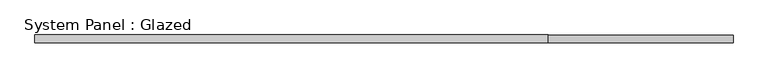
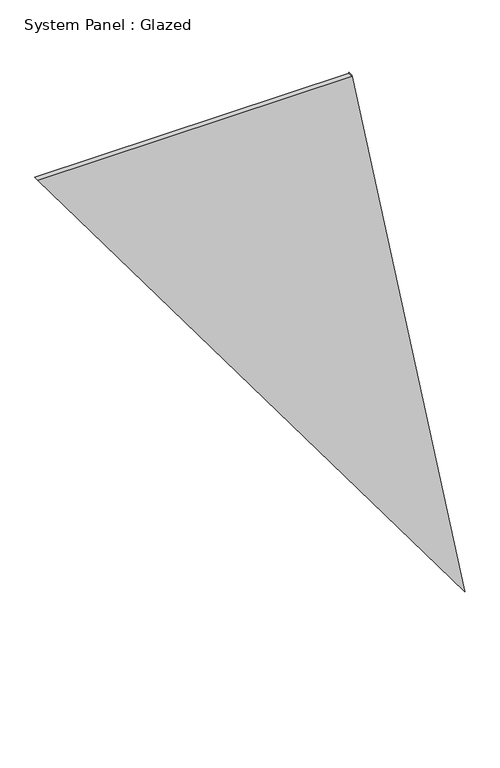
"""IFC4 building model written with IfcOpenShell, lengths in millimetres: plate geometry, System Panel : Glazed."""

import ifcopenshell
import ifcopenshell.guid

model = None  # the IFC model being written
_history = None  # IfcOwnerHistory: only IFC2X3 demands one
_inside = {}  # id of a spatial element -> (the spatial element, [elements in it])
_under = {}  # id of a project, library or spatial element -> (it, [spatial elements below it])
_declared = {}  # id of a project -> (the project, [libraries it declares])
_typed = {}  # id of a type object -> (the type object, [elements of that type])
_made_of = {}  # id of a material, layer set ... -> (it, [elements and type objects made of it])


def new_model(schema):
    """Start an empty IFC model of exactly this schema.

    Asked for "IFC4X3", IfcOpenShell would pick the latest addendum, in which some entities
    have other attributes; the version numbers below select the first issue.
    IFC2X3 requires an IfcOwnerHistory on every rooted entity: one is made here for all.
    """
    global model, _history
    if schema == "IFC4X3":
        model = ifcopenshell.file(schema_version=(4, 3, 0, 0))
    else:
        model = ifcopenshell.file(schema=schema)
    _inside.clear()
    _under.clear()
    _declared.clear()
    _typed.clear()
    _made_of.clear()
    _history = None
    if model.schema == "IFC2X3":
        org = make("IfcOrganization", Name="unknown")
        user = make(
            "IfcPersonAndOrganization",
            ThePerson=make("IfcPerson", FamilyName="unknown"),
            TheOrganization=org,
        )
        app = make(
            "IfcApplication",
            ApplicationDeveloper=org,
            Version="unknown",
            ApplicationFullName="unknown",
            ApplicationIdentifier="unknown",
        )
        _history = make(
            "IfcOwnerHistory",
            OwningUser=user,
            OwningApplication=app,
            ChangeAction="ADDED",
            CreationDate=0,
        )
    return model


def make(cls, **values):
    """One entity of the class cls with the attributes given. An attribute that is None is left unset."""
    return model.create_entity(
        cls, **{name: value for name, value in values.items() if value is not None}
    )


def rooted(cls, **values):
    """An entity with a GlobalId (a new one), such as an element, a storey or a relation."""
    return make(cls, GlobalId=ifcopenshell.guid.new(), OwnerHistory=_history, **values)


def si_unit(unit_type, name, prefix=None):
    """IfcSIUnit, for example si_unit("LENGTHUNIT", "METRE", prefix="MILLI")."""
    return make("IfcSIUnit", UnitType=unit_type, Prefix=prefix, Name=name)


def assignment(units):
    """IfcUnitAssignment: the units of a project."""
    return None if units is None else make("IfcUnitAssignment", Units=units)


def point(xyz):
    """IfcCartesianPoint."""
    return None if xyz is None else make("IfcCartesianPoint", Coordinates=xyz)


def direction(xyz):
    """IfcDirection."""
    return None if xyz is None else make("IfcDirection", DirectionRatios=xyz)


def frame(location, z_axis=None, x_axis=None):
    """IfcAxis2Placement3D, a coordinate frame: its origin and axes. An axis left out is left unset."""
    return make(
        "IfcAxis2Placement3D",
        Location=point(location),
        Axis=direction(z_axis),
        RefDirection=direction(x_axis),
    )


def origin():
    """The frame at (0, 0, 0) with its axes left unset."""
    return frame((0.0, 0.0, 0.0))


def place(relative_to, where):
    """IfcLocalPlacement: puts the frame where relative to a parent placement (None: the world)."""
    return make(
        "IfcLocalPlacement", PlacementRelTo=relative_to, RelativePlacement=where
    )


def context(
    kind, dimensions, precision=None, world=None, true_north=None, identifier=None
):
    """IfcGeometricRepresentationContext, for example the 3D "Model" context."""
    return make(
        "IfcGeometricRepresentationContext",
        ContextIdentifier=identifier,
        ContextType=kind,
        CoordinateSpaceDimension=dimensions,
        Precision=precision,
        WorldCoordinateSystem=world,
        TrueNorth=true_north,
    )


def project(units=None, contexts=None):
    """IfcProject with its units and contexts."""
    return rooted(
        "IfcProject",
        Name="project",
        RepresentationContexts=contexts,
        UnitsInContext=assignment(units),
    )


def spatial(cls, under=None, at=None, **own):
    """A site, building, storey or space (cls), placed at a placement, below another one or the project."""
    s = rooted(cls, ObjectPlacement=at, **own)
    if under is not None:
        _under.setdefault(under.id(), (under, []))[1].append(s)
    return s


def polyline(points):
    """IfcPolyline through the points."""
    return make("IfcPolyline", Points=[point(p) for p in points])


def outline(outer, holes=None, kind="AREA"):
    """IfcArbitraryClosedProfileDef: a profile drawn as a closed curve; with holes, ...WithVoids."""
    if holes is None:
        return make("IfcArbitraryClosedProfileDef", ProfileType=kind, OuterCurve=outer)
    return make(
        "IfcArbitraryProfileDefWithVoids",
        ProfileType=kind,
        OuterCurve=outer,
        InnerCurves=holes,
    )


def extrude(swept, where, along, depth):
    """IfcExtrudedAreaSolid: the profile swept, set in the frame where, extruded along a direction by depth."""
    return make(
        "IfcExtrudedAreaSolid",
        SweptArea=swept,
        Position=where,
        ExtrudedDirection=direction(along),
        Depth=depth,
    )


def shape(context_of_items, identifier, shape_type, items):
    """IfcShapeRepresentation: the items that make up one representation, for example the "Body"."""
    return make(
        "IfcShapeRepresentation",
        ContextOfItems=context_of_items,
        RepresentationIdentifier=identifier,
        RepresentationType=shape_type,
        Items=items,
    )


def source(mapping_origin, context_of_items, identifier, shape_type, items):
    """IfcRepresentationMap: a shape defined once, which mapped items show again and again."""
    return make(
        "IfcRepresentationMap",
        MappingOrigin=mapping_origin,
        MappedRepresentation=shape(context_of_items, identifier, shape_type, items),
    )


def transform(
    local_origin,
    x_axis=None,
    y_axis=None,
    z_axis=None,
    scale=None,
    scale2=None,
    scale3=None,
    uniform=True,
):
    """IfcCartesianTransformationOperator3D, or its non-uniform kind. x_axis, y_axis, z_axis: its Axis1, 2, 3."""
    if uniform:
        return make(
            "IfcCartesianTransformationOperator3D",
            Axis1=direction(x_axis),
            Axis2=direction(y_axis),
            LocalOrigin=point(local_origin),
            Scale=scale,
            Axis3=direction(z_axis),
        )
    return make(
        "IfcCartesianTransformationOperator3DnonUniform",
        Axis1=direction(x_axis),
        Axis2=direction(y_axis),
        LocalOrigin=point(local_origin),
        Scale=scale,
        Axis3=direction(z_axis),
        Scale2=scale2,
        Scale3=scale3,
    )


def mapped(mapping_source, mapping_target):
    """IfcMappedItem: shows the shape of a source again, moved by a transform."""
    return make(
        "IfcMappedItem", MappingSource=mapping_source, MappingTarget=mapping_target
    )


def made_of(thing, what):
    """Note that an element or type object is made of a material, layer set ...; save() writes the relation."""
    if what is not None:
        _made_of.setdefault(what.id(), (what, []))[1].append(thing)
    return thing


def element(
    cls,
    number,
    at=None,
    inside=None,
    cuts=None,
    type_object=None,
    material=None,
    context=None,
    identifier="Body",
    shape_type=None,
    held_by="IfcProductDefinitionShape",
    body=None,
    shapes=None,
    **own,
):
    """One element of the class cls, such as IfcWall. Its Tag is "e" and its number.

    at: its placement. inside: the storey or other place that contains it. cuts: it is an
    opening in that element (IfcRelVoidsElement). A single representation is given by context,
    identifier, shape_type and body (its items); several are given by shapes. held_by: the class
    of the entity that holds the representations. save() writes the other relations.
    """
    e = rooted(cls, Tag="e%d" % number, ObjectPlacement=at, **own)
    if body is not None:
        shapes = [shape(context, identifier, shape_type, body)]
    if shapes is not None:
        e.Representation = make(held_by, Representations=shapes)
    if inside is not None:
        _inside.setdefault(inside.id(), (inside, []))[1].append(e)
    if cuts is not None:
        rooted(
            "IfcRelVoidsElement", RelatingBuildingElement=cuts, RelatedOpeningElement=e
        )
    if type_object is not None:
        _typed.setdefault(type_object.id(), (type_object, []))[1].append(e)
    return made_of(e, material)


def aggregate(whole, parts):
    """IfcRelAggregates: a whole, such as a stair, and the parts it consists of."""
    return rooted("IfcRelAggregates", RelatingObject=whole, RelatedObjects=parts)


def save(model, path):
    """Write the relations noted so far, then the file.

    IfcRelAggregates (storeys below a building ...), IfcRelContainedInSpatialStructure (elements
    in a storey), IfcRelDefinesByType, IfcRelAssociatesMaterial and IfcRelDeclares: one each for
    every whole, place, type object, material and project.
    """
    for whole, parts in _under.values():
        aggregate(whole, parts)
    for where, things in _inside.values():
        rooted(
            "IfcRelContainedInSpatialStructure",
            RelatedElements=things,
            RelatingStructure=where,
        )
    for kind, things in _typed.values():
        rooted("IfcRelDefinesByType", RelatedObjects=things, RelatingType=kind)
    for what, things in _made_of.values():
        rooted("IfcRelAssociatesMaterial", RelatedObjects=things, RelatingMaterial=what)
    for by, libraries in _declared.values():
        rooted("IfcRelDeclares", RelatingContext=by, RelatedDefinitions=libraries)
    model.write(path)


def system_panel_glazed_691b38ab(model_context):
    return source(origin(), model_context, "Body", "SweptSolid", [
        extrude(outline(polyline([(4430.455994, -1620.1058024), (0.0, 1620.1058024), (4437.9558367, 762.6079819), (4430.455994, 762.6079515), (4430.455994, -1620.1058024)])), frame((0.0, -18.0, 0.0), z_axis=(0.0, 1.0, 0.0), x_axis=(0.0, 0.0, 1.0)), (0.0, 0.0, 1.0), 36.0),
    ])


if __name__ == "__main__":
    model = new_model("IFC4")
    model_context = context("Model", 3, world=origin())
    ifc_project = project(units=[si_unit("LENGTHUNIT", "METRE", prefix="MILLI")], contexts=[model_context])
    site = spatial("IfcSite", under=ifc_project)
    building = spatial("IfcBuilding", under=site)
    placement = place(None, origin())
    system_panel_glazed_shape = system_panel_glazed_691b38ab(model_context)
    element("IfcPlate", 1, ObjectType="System Panel : Glazed", at=placement, inside=building, context=model_context, shape_type="MappedRepresentation", body=[
        mapped(system_panel_glazed_shape, transform((0.0, 0.0, 0.0), x_axis=(1.0, 0.0, 0.0), y_axis=(0.0, 1.0, 0.0), z_axis=(0.0, 0.0, 1.0))),
    ])
    save(model, "model.ifc")
